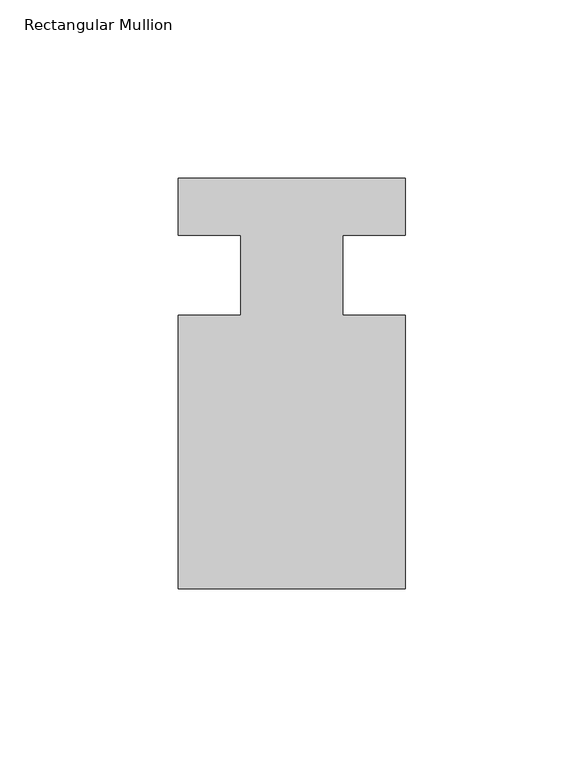
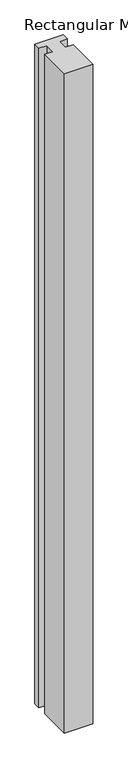
"""IFC4 building model written with IfcOpenShell, lengths in millimetres: member geometry, Rectangular Mullion."""

from ifc_helpers import new_model, si_unit, frame, origin, place, context, project, spatial, polyline, outline, extrude, source, transform, mapped, element, save


def rectangular_mullion_9db5f480(model_context):
    return source(origin(), model_context, "Body", "SweptSolid", [
        extrude(outline(polyline([(31.75, -114.5309812), (-31.75, -114.5309812), (-31.75, -38.0007813), (-14.2875, -38.0007812), (-14.2875, -15.5217812), (-31.75, -15.5217812), (-31.75, 0.3278188), (31.75, 0.3278188), (31.75, -15.5217812), (14.2875, -15.5217812), (14.2875, -38.0007813), (31.75, -38.0007813), (31.75, -114.5309812)])), frame((0.0, 0.0, -1563.1059921), z_axis=(0.0, 0.0, 1.0), x_axis=(1.0, 0.0, 0.0)), (0.0, 0.0, 1.0), 1563.1059921),
    ])


if __name__ == "__main__":
    model = new_model("IFC4")
    model_context = context("Model", 3, world=origin())
    ifc_project = project(units=[si_unit("LENGTHUNIT", "METRE", prefix="MILLI")], contexts=[model_context])
    site = spatial("IfcSite", under=ifc_project)
    building = spatial("IfcBuilding", under=site)
    placement = place(None, origin())
    rectangular_mullion_shape = rectangular_mullion_9db5f480(model_context)
    element("IfcMember", 1, ObjectType="Rectangular Mullion", at=placement, inside=building, context=model_context, shape_type="MappedRepresentation", body=[
        mapped(rectangular_mullion_shape, transform((0.0, 0.0, 0.0), x_axis=(1.0, 0.0, 0.0), y_axis=(0.0, 1.0, 0.0), z_axis=(0.0, 0.0, 1.0))),
    ])
    save(model, "model.ifc")
